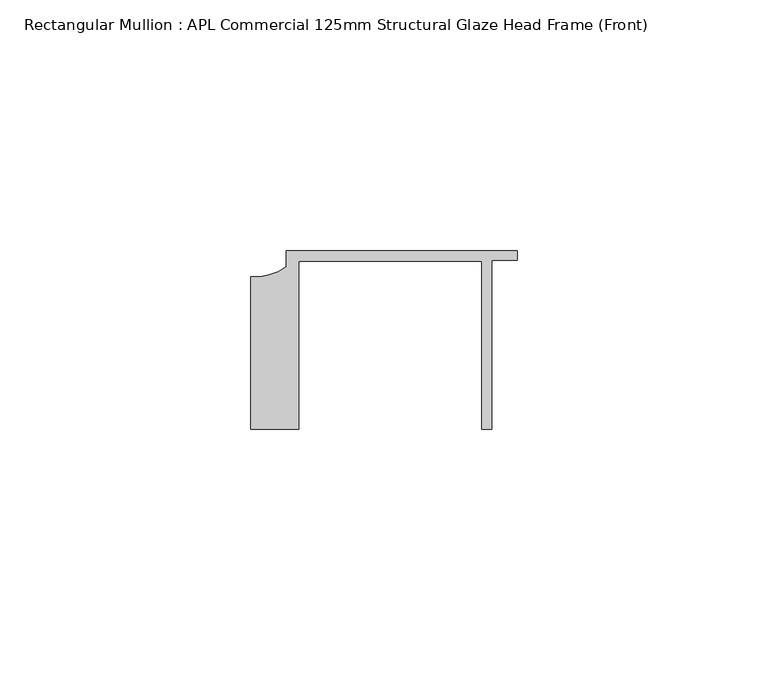
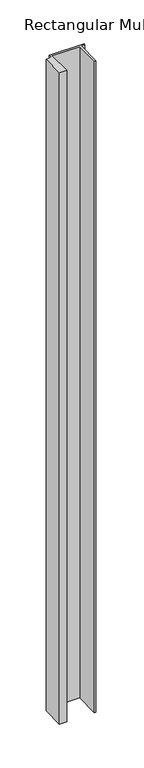
"""IFC4 building model written with IfcOpenShell, lengths in millimetres: member geometry, Rectangular Mullion : APL Commercial 125mm Structural Glaze Head Frame (Front)."""

from ifc_helpers import new_model, si_unit, point, frame, frame_2d, origin, place, context, project, spatial, polyline, circle_curve, trimmed, segment, composite_curve, outline, extrude, source, transform, mapped, element, save


def rectangular_mullion_apl_commercial_125mm_structural_glaze_3b3ff8d2(model_context):
    return source(origin(), model_context, "Body", "SweptSolid", [
        extrude(outline(composite_curve([segment(polyline([(-52.9999542, -15.0), (-52.9999542, 15.3798304)]), True, "CONTINUOUS"), segment(trimmed(circle_curve(frame_2d((-52.109817, 25.7982641)), 10.4563907), [point((-52.9999542, 15.3798304))], [point((-45.9999994, 17.3126154))], True, "CARTESIAN"), True, "CONTINUOUS"), segment(polyline([(-45.9999994, 17.3126154), (-45.9999994, 20.5002486), (0.0, 20.5002486), (0.0, 18.7002486), (-5.0, 18.7002486), (-5.0, -15.0), (-7.0, -15.0), (-7.0, 18.5002486), (-43.5000151, 18.5002486), (-43.5000151, -15.0), (-52.9999542, -15.0)]), True, "CONTINUOUS")], self_intersect=False)), frame((0.0, 0.0, -905.9401072), z_axis=(0.0, 0.0, 1.0), x_axis=(1.0, 0.0, 0.0)), (0.0, 0.0, 1.0), 905.9401072),
    ])


if __name__ == "__main__":
    model = new_model("IFC4")
    model_context = context("Model", 3, world=origin())
    ifc_project = project(units=[si_unit("LENGTHUNIT", "METRE", prefix="MILLI")], contexts=[model_context])
    site = spatial("IfcSite", under=ifc_project)
    building = spatial("IfcBuilding", under=site)
    placement = place(None, origin())
    rectangular_mullion_apl_commercial_125mm_structural_glaze_shape = rectangular_mullion_apl_commercial_125mm_structural_glaze_3b3ff8d2(model_context)
    element("IfcMember", 1, ObjectType="Rectangular Mullion : APL Commercial 125mm Structural Glaze Head Frame (Front)", at=placement, inside=building, context=model_context, shape_type="MappedRepresentation", body=[
        mapped(rectangular_mullion_apl_commercial_125mm_structural_glaze_shape, transform((0.0, 0.0, 0.0), x_axis=(1.0, 0.0, 0.0), y_axis=(0.0, 1.0, 0.0), z_axis=(0.0, 0.0, 1.0))),
    ])
    save(model, "model.ifc")
